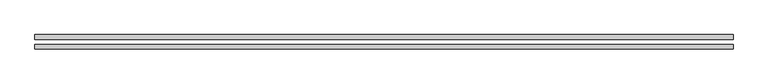
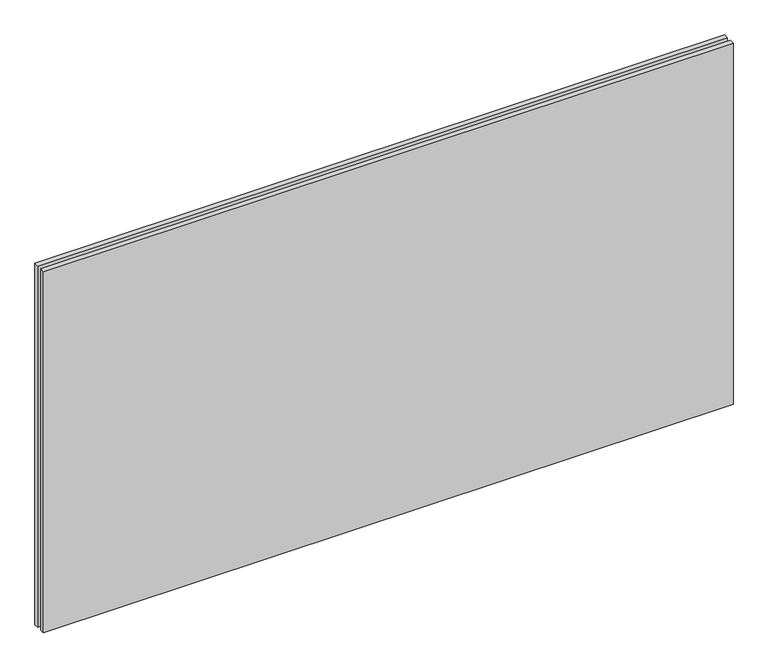
"""IFC4 building model written with IfcOpenShell, lengths in millimetres: plate geometry."""

from ifc_helpers import new_model, si_unit, origin, origin_with_axes, place, context, project, spatial, polyline, outline, extrude, source, transform, mapped, element, save


def plate_0f9c3e08(model_context):
    return source(origin(), model_context, "Body", "SweptSolid", [
        extrude(outline(polyline([(605.0, -40.8), (-605.0, -40.8), (-605.0, -32.8), (605.0, -32.8), (605.0, -40.8)])), origin_with_axes(), (0.0, 0.0, 1.0), 670.0),
        extrude(outline(polyline([(605.0, -23.8), (-605.0, -23.8), (-605.0, -15.8), (605.0, -15.8), (605.0, -23.8)])), origin_with_axes(), (0.0, 0.0, 1.0), 670.0),
    ])


if __name__ == "__main__":
    model = new_model("IFC4")
    model_context = context("Model", 3, world=origin())
    ifc_project = project(units=[si_unit("LENGTHUNIT", "METRE", prefix="MILLI")], contexts=[model_context])
    site = spatial("IfcSite", under=ifc_project)
    building = spatial("IfcBuilding", under=site)
    placement = place(None, origin())
    plate_shape = plate_0f9c3e08(model_context)
    element("IfcPlate", 1, at=placement, inside=building, context=model_context, shape_type="MappedRepresentation", body=[
        mapped(plate_shape, transform((0.0, 0.0, 0.0), x_axis=(1.0, 0.0, 0.0), y_axis=(0.0, 1.0, 0.0), z_axis=(0.0, 0.0, 1.0))),
    ])
    save(model, "model.ifc")
